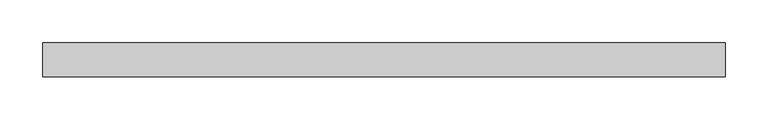
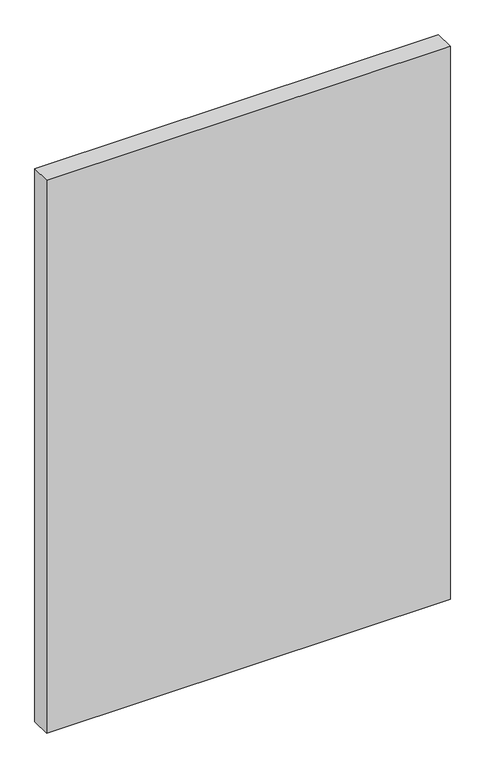
"""IFC4 building model written with IfcOpenShell, lengths in millimetres: plate geometry."""

from ifc_helpers import new_model, si_unit, origin, origin_with_axes, place, context, project, spatial, polyline, outline, extrude, source, transform, mapped, element, save


def plate_ca5d2adc(model_context):
    return source(origin(), model_context, "Body", "SweptSolid", [
        extrude(outline(polyline([(398.05, 19.84375), (398.05, -19.84375), (-398.05, -19.84375), (-398.05, 19.84375), (398.05, 19.84375)])), origin_with_axes(), (0.0, 0.0, 1.0), 1151.7),
    ])


if __name__ == "__main__":
    model = new_model("IFC4")
    model_context = context("Model", 3, world=origin())
    ifc_project = project(units=[si_unit("LENGTHUNIT", "METRE", prefix="MILLI")], contexts=[model_context])
    site = spatial("IfcSite", under=ifc_project)
    building = spatial("IfcBuilding", under=site)
    placement = place(None, origin())
    plate_shape = plate_ca5d2adc(model_context)
    element("IfcPlate", 1, at=placement, inside=building, context=model_context, shape_type="MappedRepresentation", body=[
        mapped(plate_shape, transform((0.0, 0.0, 0.0), x_axis=(1.0, 0.0, 0.0), y_axis=(0.0, 1.0, 0.0), z_axis=(0.0, 0.0, 1.0))),
    ])
    save(model, "model.ifc")
